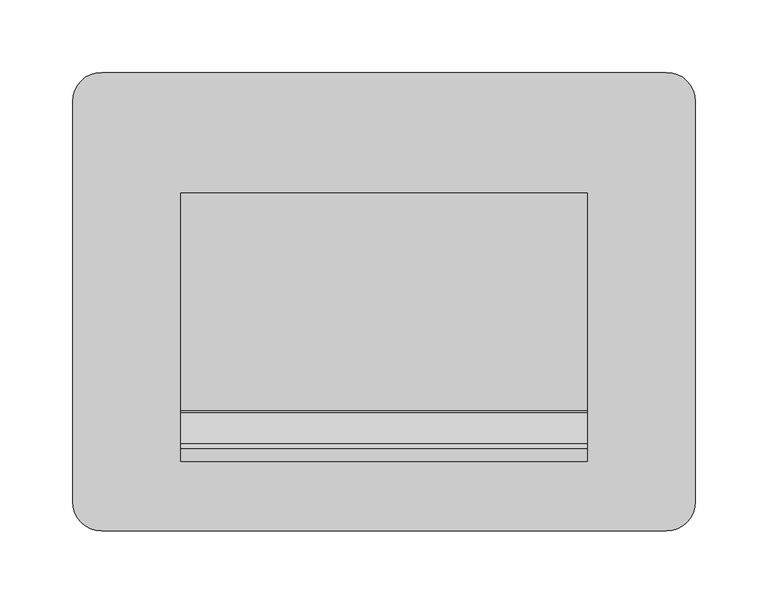
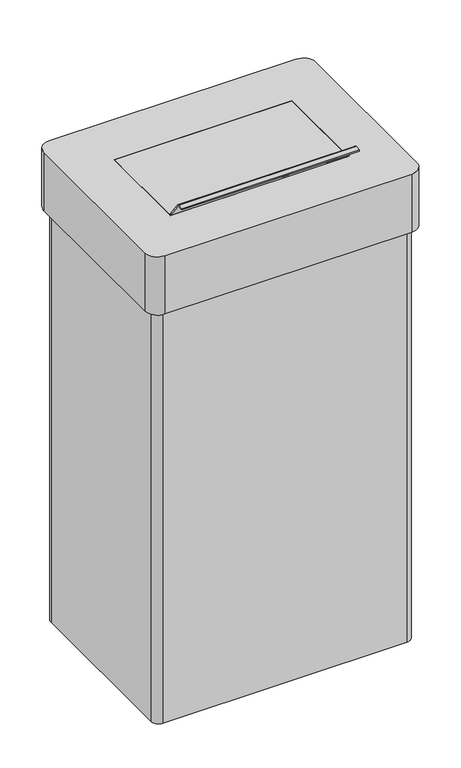
"""IFC4 building model written with IfcOpenShell, lengths in millimetres: furniture geometry."""

import ifcopenshell
import ifcopenshell.guid

model = None  # the IFC model being written
_history = None  # IfcOwnerHistory: only IFC2X3 demands one
_inside = {}  # id of a spatial element -> (the spatial element, [elements in it])
_under = {}  # id of a project, library or spatial element -> (it, [spatial elements below it])
_declared = {}  # id of a project -> (the project, [libraries it declares])
_typed = {}  # id of a type object -> (the type object, [elements of that type])
_made_of = {}  # id of a material, layer set ... -> (it, [elements and type objects made of it])


def new_model(schema):
    """Start an empty IFC model of exactly this schema.

    Asked for "IFC4X3", IfcOpenShell would pick the latest addendum, in which some entities
    have other attributes; the version numbers below select the first issue.
    IFC2X3 requires an IfcOwnerHistory on every rooted entity: one is made here for all.
    """
    global model, _history
    if schema == "IFC4X3":
        model = ifcopenshell.file(schema_version=(4, 3, 0, 0))
    else:
        model = ifcopenshell.file(schema=schema)
    _inside.clear()
    _under.clear()
    _declared.clear()
    _typed.clear()
    _made_of.clear()
    _history = None
    if model.schema == "IFC2X3":
        org = make("IfcOrganization", Name="unknown")
        user = make(
            "IfcPersonAndOrganization",
            ThePerson=make("IfcPerson", FamilyName="unknown"),
            TheOrganization=org,
        )
        app = make(
            "IfcApplication",
            ApplicationDeveloper=org,
            Version="unknown",
            ApplicationFullName="unknown",
            ApplicationIdentifier="unknown",
        )
        _history = make(
            "IfcOwnerHistory",
            OwningUser=user,
            OwningApplication=app,
            ChangeAction="ADDED",
            CreationDate=0,
        )
    return model


def make(cls, **values):
    """One entity of the class cls with the attributes given. An attribute that is None is left unset."""
    return model.create_entity(
        cls, **{name: value for name, value in values.items() if value is not None}
    )


def rooted(cls, **values):
    """An entity with a GlobalId (a new one), such as an element, a storey or a relation."""
    return make(cls, GlobalId=ifcopenshell.guid.new(), OwnerHistory=_history, **values)


def si_unit(unit_type, name, prefix=None):
    """IfcSIUnit, for example si_unit("LENGTHUNIT", "METRE", prefix="MILLI")."""
    return make("IfcSIUnit", UnitType=unit_type, Prefix=prefix, Name=name)


def assignment(units):
    """IfcUnitAssignment: the units of a project."""
    return None if units is None else make("IfcUnitAssignment", Units=units)


def point(xyz):
    """IfcCartesianPoint."""
    return None if xyz is None else make("IfcCartesianPoint", Coordinates=xyz)


def direction(xyz):
    """IfcDirection."""
    return None if xyz is None else make("IfcDirection", DirectionRatios=xyz)


def frame(location, z_axis=None, x_axis=None):
    """IfcAxis2Placement3D, a coordinate frame: its origin and axes. An axis left out is left unset."""
    return make(
        "IfcAxis2Placement3D",
        Location=point(location),
        Axis=direction(z_axis),
        RefDirection=direction(x_axis),
    )


def origin():
    """The frame at (0, 0, 0) with its axes left unset."""
    return frame((0.0, 0.0, 0.0))


def place(relative_to, where):
    """IfcLocalPlacement: puts the frame where relative to a parent placement (None: the world)."""
    return make(
        "IfcLocalPlacement", PlacementRelTo=relative_to, RelativePlacement=where
    )


def context(
    kind, dimensions, precision=None, world=None, true_north=None, identifier=None
):
    """IfcGeometricRepresentationContext, for example the 3D "Model" context."""
    return make(
        "IfcGeometricRepresentationContext",
        ContextIdentifier=identifier,
        ContextType=kind,
        CoordinateSpaceDimension=dimensions,
        Precision=precision,
        WorldCoordinateSystem=world,
        TrueNorth=true_north,
    )


def project(units=None, contexts=None):
    """IfcProject with its units and contexts."""
    return rooted(
        "IfcProject",
        Name="project",
        RepresentationContexts=contexts,
        UnitsInContext=assignment(units),
    )


def spatial(cls, under=None, at=None, **own):
    """A site, building, storey or space (cls), placed at a placement, below another one or the project."""
    s = rooted(cls, ObjectPlacement=at, **own)
    if under is not None:
        _under.setdefault(under.id(), (under, []))[1].append(s)
    return s


def polyline(points):
    """IfcPolyline through the points."""
    return make("IfcPolyline", Points=[point(p) for p in points])


def circle_curve(where, radius):
    """IfcCircle in the frame where."""
    return make("IfcCircle", Position=where, Radius=radius)


def shape(context_of_items, identifier, shape_type, items):
    """IfcShapeRepresentation: the items that make up one representation, for example the "Body"."""
    return make(
        "IfcShapeRepresentation",
        ContextOfItems=context_of_items,
        RepresentationIdentifier=identifier,
        RepresentationType=shape_type,
        Items=items,
    )


def source(mapping_origin, context_of_items, identifier, shape_type, items):
    """IfcRepresentationMap: a shape defined once, which mapped items show again and again."""
    return make(
        "IfcRepresentationMap",
        MappingOrigin=mapping_origin,
        MappedRepresentation=shape(context_of_items, identifier, shape_type, items),
    )


def transform(
    local_origin,
    x_axis=None,
    y_axis=None,
    z_axis=None,
    scale=None,
    scale2=None,
    scale3=None,
    uniform=True,
):
    """IfcCartesianTransformationOperator3D, or its non-uniform kind. x_axis, y_axis, z_axis: its Axis1, 2, 3."""
    if uniform:
        return make(
            "IfcCartesianTransformationOperator3D",
            Axis1=direction(x_axis),
            Axis2=direction(y_axis),
            LocalOrigin=point(local_origin),
            Scale=scale,
            Axis3=direction(z_axis),
        )
    return make(
        "IfcCartesianTransformationOperator3DnonUniform",
        Axis1=direction(x_axis),
        Axis2=direction(y_axis),
        LocalOrigin=point(local_origin),
        Scale=scale,
        Axis3=direction(z_axis),
        Scale2=scale2,
        Scale3=scale3,
    )


def mapped(mapping_source, mapping_target):
    """IfcMappedItem: shows the shape of a source again, moved by a transform."""
    return make(
        "IfcMappedItem", MappingSource=mapping_source, MappingTarget=mapping_target
    )


def made_of(thing, what):
    """Note that an element or type object is made of a material, layer set ...; save() writes the relation."""
    if what is not None:
        _made_of.setdefault(what.id(), (what, []))[1].append(thing)
    return thing


def element(
    cls,
    number,
    at=None,
    inside=None,
    cuts=None,
    type_object=None,
    material=None,
    context=None,
    identifier="Body",
    shape_type=None,
    held_by="IfcProductDefinitionShape",
    body=None,
    shapes=None,
    **own,
):
    """One element of the class cls, such as IfcWall. Its Tag is "e" and its number.

    at: its placement. inside: the storey or other place that contains it. cuts: it is an
    opening in that element (IfcRelVoidsElement). A single representation is given by context,
    identifier, shape_type and body (its items); several are given by shapes. held_by: the class
    of the entity that holds the representations. save() writes the other relations.
    """
    e = rooted(cls, Tag="e%d" % number, ObjectPlacement=at, **own)
    if body is not None:
        shapes = [shape(context, identifier, shape_type, body)]
    if shapes is not None:
        e.Representation = make(held_by, Representations=shapes)
    if inside is not None:
        _inside.setdefault(inside.id(), (inside, []))[1].append(e)
    if cuts is not None:
        rooted(
            "IfcRelVoidsElement", RelatingBuildingElement=cuts, RelatedOpeningElement=e
        )
    if type_object is not None:
        _typed.setdefault(type_object.id(), (type_object, []))[1].append(e)
    return made_of(e, material)


def aggregate(whole, parts):
    """IfcRelAggregates: a whole, such as a stair, and the parts it consists of."""
    return rooted("IfcRelAggregates", RelatingObject=whole, RelatedObjects=parts)


def save(model, path):
    """Write the relations noted so far, then the file.

    IfcRelAggregates (storeys below a building ...), IfcRelContainedInSpatialStructure (elements
    in a storey), IfcRelDefinesByType, IfcRelAssociatesMaterial and IfcRelDeclares: one each for
    every whole, place, type object, material and project.
    """
    for whole, parts in _under.values():
        aggregate(whole, parts)
    for where, things in _inside.values():
        rooted(
            "IfcRelContainedInSpatialStructure",
            RelatedElements=things,
            RelatingStructure=where,
        )
    for kind, things in _typed.values():
        rooted("IfcRelDefinesByType", RelatedObjects=things, RelatingType=kind)
    for what, things in _made_of.values():
        rooted("IfcRelAssociatesMaterial", RelatedObjects=things, RelatingMaterial=what)
    for by, libraries in _declared.values():
        rooted("IfcRelDeclares", RelatingContext=by, RelatedDefinitions=libraries)
    model.write(path)


def plane_surface(at):
    """IfcPlane: the flat surface through the origin of the frame at, square to its z axis."""
    return make("IfcPlane", Position=at)


def cylinder_surface(at, radius):
    """IfcCylindricalSurface: all points at the distance radius from the z axis of the frame at."""
    return make("IfcCylindricalSurface", Position=at, Radius=radius)


def revolved_surface(curve, axis_point, axis_direction):
    """IfcSurfaceOfRevolution: the curve turned about the line through axis_point along axis_direction."""
    return make(
        "IfcSurfaceOfRevolution",
        SweptCurve=make("IfcArbitraryOpenProfileDef", ProfileType="CURVE", Curve=curve),
        AxisPosition=make("IfcAxis1Placement", Location=point(axis_point), Axis=direction(axis_direction)),
    )


def advanced_brep(points, edges, surfaces, faces):
    """IfcAdvancedBrep: a solid bounded by faces that lie on surfaces and meet in shared edges.

    An edge is (start, end): straight between two places in points (the first is 0);
    or (start, end, curve); or (start, end, curve, False) where it runs against its curve.
    A face is (place in surfaces, loops), or (place, loops, False) where it looks against
    its surface's normal. A loop lists edges by number (the first is 1), with a minus sign
    where the edge is run from its end to its start. The first loop is the outer one.
    """
    corners = [point(p) for p in points]
    vertices = [make("IfcVertexPoint", VertexGeometry=c) for c in corners]
    made = []
    for start, end, *more in edges:
        made.append(
            make(
                "IfcEdgeCurve",
                EdgeStart=vertices[start],
                EdgeEnd=vertices[end],
                EdgeGeometry=more[0] if more else make("IfcPolyline", Points=[corners[start], corners[end]]),
                SameSense=more[1] if len(more) > 1 else True,
            )
        )
    hull = []
    for where, loops, *sense in faces:
        bounds = []
        for j, loop in enumerate(loops):
            ring = [make("IfcOrientedEdge", EdgeElement=made[abs(k) - 1], Orientation=k > 0) for k in loop]
            bounds.append(
                make(
                    "IfcFaceOuterBound" if j == 0 else "IfcFaceBound",
                    Bound=make("IfcEdgeLoop", EdgeList=ring),
                    Orientation=True,
                )
            )
        hull.append(make("IfcAdvancedFace", Bounds=bounds, FaceSurface=surfaces[where], SameSense=sense[0] if sense else True))
    return make("IfcAdvancedBrep", Outer=make("IfcClosedShell", CfsFaces=hull))


def furniture_952a48fb(model_context):
    return source(origin(), model_context, "Body", "AdvancedBrep", [
        advanced_brep(
        [(192.5, 148.0, 689.0), (-192.5, 148.0, 689.0), (-204.5, 136.0, 689.0), (-204.5, -136.0, 689.0), (-192.5, -148.0, 689.0), (192.5, -148.0, 689.0), (204.5, -136.0, 689.0), (204.5, 136.0, 689.0), (194.5, 138.0, 689.0), (194.5, -138.0, 689.0), (-194.5, -138.0, 689.0), (-194.5, 138.0, 689.0), (192.5, 148.0, 0.0), (204.5, 136.0, 0.0), (204.5, -136.0, 0.0), (192.5, -148.0, 0.0), (-192.5, -148.0, 0.0), (-204.5, -136.0, 0.0), (-204.5, 136.0, 0.0), (-192.5, 148.0, 0.0), (194.5, 138.0, 8.0), (194.5, -138.0, 8.0), (-194.5, -138.0, 8.0), (-194.5, 138.0, 8.0)],
        [
            (0, 1),
            (1, 2, circle_curve(frame((-192.5, 136.0, 689.0), z_axis=(0.0, 0.0, 1.0), x_axis=(1.0, 0.0, 0.0)), 12.0)),
            (2, 3),
            (3, 4, circle_curve(frame((-192.5, -136.0, 689.0), z_axis=(0.0, 0.0, 1.0), x_axis=(1.0, 0.0, 0.0)), 12.0)),
            (4, 5),
            (5, 6, circle_curve(frame((192.5, -136.0, 689.0), z_axis=(0.0, 0.0, 1.0), x_axis=(1.0, 0.0, 0.0)), 12.0)),
            (6, 7),
            (7, 0, circle_curve(frame((192.5, 136.0, 689.0), z_axis=(0.0, 0.0, 1.0), x_axis=(1.0, 0.0, 0.0)), 12.0)),
            (8, 9),
            (9, 10),
            (10, 11),
            (11, 8),
            (12, 13, circle_curve(frame((192.5, 136.0, 0.0), z_axis=(0.0, 0.0, -1.0), x_axis=(1.0, 0.0, 0.0)), 12.0)),
            (13, 14),
            (14, 15, circle_curve(frame((192.5, -136.0, 0.0), z_axis=(0.0, 0.0, -1.0), x_axis=(1.0, 0.0, 0.0)), 12.0)),
            (15, 16),
            (16, 17, circle_curve(frame((-192.5, -136.0, 0.0), z_axis=(0.0, 0.0, -1.0), x_axis=(1.0, 0.0, 0.0)), 12.0)),
            (17, 18),
            (18, 19, circle_curve(frame((-192.5, 136.0, 0.0), z_axis=(0.0, 0.0, -1.0), x_axis=(1.0, 0.0, 0.0)), 12.0)),
            (19, 12),
            (8, 20),
            (20, 21),
            (21, 9),
            (21, 22),
            (22, 10),
            (22, 23),
            (23, 11),
            (23, 20),
            (0, 12),
            (19, 1),
            (18, 2),
            (17, 3),
            (16, 4),
            (15, 5),
            (14, 6),
            (13, 7),
        ],
        [
            plane_surface(frame((194.5, 138.0, 689.0), z_axis=(0.0, 0.0, 1.0), x_axis=(0.0, -1.0, 0.0))),
            plane_surface(frame((194.5, 138.0, 0.0), z_axis=(0.0, 0.0, -1.0), x_axis=(0.0, 1.0, 0.0))),
            plane_surface(frame((194.5, 138.0, 689.0), z_axis=(-1.0, 0.0, 0.0), x_axis=(0.0, 0.0, -1.0))),
            plane_surface(frame((194.5, -138.0, 689.0), z_axis=(0.0, 1.0, 0.0), x_axis=(0.0, 0.0, -1.0))),
            plane_surface(frame((-194.5, -138.0, 689.0), z_axis=(1.0, 0.0, 0.0), x_axis=(0.0, 0.0, -1.0))),
            plane_surface(frame((-194.5, 138.0, 689.0), z_axis=(0.0, -1.0, 0.0), x_axis=(0.0, 0.0, -1.0))),
            plane_surface(frame((192.5, 148.0, 689.0), z_axis=(0.0, 1.0, 0.0), x_axis=(0.0, 0.0, -1.0))),
            cylinder_surface(frame((-192.5, 136.0, 0.0), z_axis=(0.0, 0.0, 1.0), x_axis=(1.0, 0.0, 0.0)), 12.0),
            plane_surface(frame((-204.5, 136.0, 689.0), z_axis=(-1.0, 0.0, 0.0), x_axis=(0.0, 0.0, -1.0))),
            cylinder_surface(frame((-192.5, -136.0, 0.0), z_axis=(0.0, 0.0, 1.0), x_axis=(1.0, 0.0, 0.0)), 12.0),
            plane_surface(frame((-192.5, -148.0, 689.0), z_axis=(0.0, -1.0, 0.0), x_axis=(0.0, 0.0, -1.0))),
            cylinder_surface(frame((192.5, -136.0, 0.0), z_axis=(0.0, 0.0, 1.0), x_axis=(1.0, 0.0, 0.0)), 12.0),
            plane_surface(frame((204.5, -136.0, 689.0), z_axis=(1.0, 0.0, 0.0), x_axis=(0.0, 0.0, -1.0))),
            cylinder_surface(frame((192.5, 136.0, 0.0), z_axis=(0.0, 0.0, 1.0), x_axis=(1.0, 0.0, 0.0)), 12.0),
            plane_surface(frame((-194.5, 138.0, 8.0), z_axis=(0.0, 0.0, 1.0), x_axis=(-1.0, 0.0, 0.0))),
        ],
        [
            (0, [[1, 2, 3, 4, 5, 6, 7, 8], [9, 10, 11, 12]]),
            (1, [[13, 14, 15, 16, 17, 18, 19, 20]]),
            (2, [[-9, 21, 22, 23]]),
            (3, [[-10, -23, 24, 25]]),
            (4, [[-11, -25, 26, 27]]),
            (5, [[-12, -27, 28, -21]]),
            (6, [[-1, 29, -20, 30]]),
            (7, [[-2, -30, -19, 31]]),
            (8, [[-3, -31, -18, 32]]),
            (9, [[-4, -32, -17, 33]]),
            (10, [[-5, -33, -16, 34]]),
            (11, [[-6, -34, -15, 35]]),
            (12, [[-7, -35, -14, 36]]),
            (13, [[-8, -36, -13, -29]]),
            (14, [[-22, -28, -26, -24]]),
        ],
    ),
        advanced_brep(
        [(194.5, 158.0, 786.0), (-194.5, 158.0, 786.0), (-214.5, 138.0, 786.0), (-214.5, -138.0, 786.0), (-194.5, -158.0, 786.0), (194.5, -158.0, 786.0), (214.5, -138.0, 786.0), (214.5, 138.0, 786.0), (140.0, 75.0, 786.0), (140.0, -78.0583922, 786.0), (-140.0, -78.0583922, 786.0), (-140.0, 75.0, 786.0), (194.5, 138.0, 778.0), (194.5, -138.0, 778.0), (-194.5, -138.0, 778.0), (-194.5, 138.0, 778.0), (140.0, 75.0, 778.0), (-140.0, 75.0, 778.0), (-140.0, -78.0583922, 778.0), (140.0, -78.0583922, 778.0), (194.5, 158.0, 689.0), (214.5, 138.0, 689.0), (214.5, -138.0, 689.0), (194.5, -158.0, 689.0), (-194.5, -158.0, 689.0), (-214.5, -138.0, 689.0), (-214.5, 138.0, 689.0), (-194.5, 158.0, 689.0), (194.5, 138.0, 689.0), (-194.5, 138.0, 689.0), (-194.5, -138.0, 689.0), (194.5, -138.0, 689.0)],
        [
            (0, 1),
            (1, 2, circle_curve(frame((-194.5, 138.0, 786.0), z_axis=(0.0, 0.0, 1.0), x_axis=(1.0, 0.0, 0.0)), 20.0)),
            (2, 3),
            (3, 4, circle_curve(frame((-194.5, -138.0, 786.0), z_axis=(0.0, 0.0, 1.0), x_axis=(1.0, 0.0, 0.0)), 20.0)),
            (4, 5),
            (5, 6, circle_curve(frame((194.5, -138.0, 786.0), z_axis=(0.0, 0.0, 1.0), x_axis=(1.0, 0.0, 0.0)), 20.0)),
            (6, 7),
            (7, 0, circle_curve(frame((194.5, 138.0, 786.0), z_axis=(0.0, 0.0, 1.0), x_axis=(1.0, 0.0, 0.0)), 20.0)),
            (8, 9),
            (9, 10),
            (10, 11),
            (11, 8),
            (12, 13),
            (13, 14),
            (14, 15),
            (15, 12),
            (16, 17),
            (17, 18),
            (18, 19),
            (19, 16),
            (20, 21, circle_curve(frame((194.5, 138.0, 689.0), z_axis=(0.0, 0.0, -1.0), x_axis=(1.0, 0.0, 0.0)), 20.0)),
            (21, 22),
            (22, 23, circle_curve(frame((194.5, -138.0, 689.0), z_axis=(0.0, 0.0, -1.0), x_axis=(1.0, 0.0, 0.0)), 20.0)),
            (23, 24),
            (24, 25, circle_curve(frame((-194.5, -138.0, 689.0), z_axis=(0.0, 0.0, -1.0), x_axis=(1.0, 0.0, 0.0)), 20.0)),
            (25, 26),
            (26, 27, circle_curve(frame((-194.5, 138.0, 689.0), z_axis=(0.0, 0.0, -1.0), x_axis=(1.0, 0.0, 0.0)), 20.0)),
            (27, 20),
            (28, 29),
            (29, 30),
            (30, 31),
            (31, 28),
            (0, 20),
            (27, 1),
            (26, 2),
            (25, 3),
            (24, 4),
            (23, 5),
            (22, 6),
            (21, 7),
            (31, 13),
            (12, 28),
            (30, 14),
            (29, 15),
            (8, 16),
            (19, 9),
            (18, 10),
            (17, 11),
        ],
        [
            plane_surface(frame((-194.5, 138.0, 786.0), z_axis=(0.0, 0.0, 1.0), x_axis=(-1.0, 0.0, 0.0))),
            plane_surface(frame((-194.5, 138.0, 778.0), z_axis=(0.0, 0.0, -1.0), x_axis=(1.0, 0.0, 0.0))),
            plane_surface(frame((-194.5, 158.0, 689.0), z_axis=(0.0, 0.0, -1.0), x_axis=(1.0, 0.0, 0.0))),
            plane_surface(frame((194.5, 158.0, 786.0), z_axis=(0.0, 1.0, 0.0), x_axis=(0.0, 0.0, -1.0))),
            cylinder_surface(frame((-194.5, 138.0, 689.0), z_axis=(0.0, 0.0, 1.0), x_axis=(1.0, 0.0, 0.0)), 20.0),
            plane_surface(frame((-214.5, 138.0, 786.0), z_axis=(-1.0, 0.0, 0.0), x_axis=(0.0, 0.0, -1.0))),
            cylinder_surface(frame((-194.5, -138.0, 689.0), z_axis=(0.0, 0.0, 1.0), x_axis=(1.0, 0.0, 0.0)), 20.0),
            plane_surface(frame((-194.5, -158.0, 786.0), z_axis=(0.0, -1.0, 0.0), x_axis=(0.0, 0.0, -1.0))),
            cylinder_surface(frame((194.5, -138.0, 689.0), z_axis=(0.0, 0.0, 1.0), x_axis=(1.0, 0.0, 0.0)), 20.0),
            plane_surface(frame((214.5, -138.0, 786.0), z_axis=(1.0, 0.0, 0.0), x_axis=(0.0, 0.0, -1.0))),
            cylinder_surface(frame((194.5, 138.0, 689.0), z_axis=(0.0, 0.0, 1.0), x_axis=(1.0, 0.0, 0.0)), 20.0),
            plane_surface(frame((194.5, 138.0, 786.0), z_axis=(-1.0, 0.0, 0.0), x_axis=(0.0, 0.0, -1.0))),
            plane_surface(frame((194.5, -138.0, 786.0), z_axis=(0.0, 1.0, 0.0), x_axis=(0.0, 0.0, -1.0))),
            plane_surface(frame((-194.5, -138.0, 786.0), z_axis=(1.0, 0.0, 0.0), x_axis=(0.0, 0.0, -1.0))),
            plane_surface(frame((-194.5, 138.0, 786.0), z_axis=(0.0, -1.0, 0.0), x_axis=(0.0, 0.0, -1.0))),
            plane_surface(frame((140.0, 75.0, 786.0), z_axis=(-1.0, 0.0, 0.0), x_axis=(0.0, 0.0, -1.0))),
            plane_surface(frame((140.0, -78.0583922, 786.0), z_axis=(0.0, 1.0, 0.0), x_axis=(0.0, 0.0, -1.0))),
            plane_surface(frame((-140.0, -78.0583922, 786.0), z_axis=(1.0, 0.0, 0.0), x_axis=(0.0, 0.0, -1.0))),
            plane_surface(frame((-140.0, 75.0, 786.0), z_axis=(0.0, -1.0, 0.0), x_axis=(0.0, 0.0, -1.0))),
        ],
        [
            (0, [[1, 2, 3, 4, 5, 6, 7, 8], [9, 10, 11, 12]]),
            (1, [[13, 14, 15, 16], [17, 18, 19, 20]]),
            (2, [[21, 22, 23, 24, 25, 26, 27, 28], [29, 30, 31, 32]]),
            (3, [[-1, 33, -28, 34]]),
            (4, [[-2, -34, -27, 35]]),
            (5, [[-3, -35, -26, 36]]),
            (6, [[-4, -36, -25, 37]]),
            (7, [[-5, -37, -24, 38]]),
            (8, [[-6, -38, -23, 39]]),
            (9, [[-7, -39, -22, 40]]),
            (10, [[-8, -40, -21, -33]]),
            (11, [[-32, 41, -13, 42]]),
            (12, [[-31, 43, -14, -41]]),
            (13, [[-30, 44, -15, -43]]),
            (14, [[-29, -42, -16, -44]]),
            (15, [[-9, 45, -20, 46]]),
            (16, [[-10, -46, -19, 47]]),
            (17, [[-11, -47, -18, 48]]),
            (18, [[-12, -48, -17, -45]]),
        ],
    ),
        advanced_brep(
        [(140.0, -74.955648, 786.0), (140.0, -76.7205097, 786.8865073), (140.0, -97.5687013, 814.8989761), (140.0, -101.0333202, 816.639288), (140.0, -110.0, 816.639288), (140.0, -110.0, 814.476851), (140.0, -100.8638406, 814.4732053), (140.0, -99.3010108, 813.6097103), (140.0, -78.0583922, 785.1055379), (140.0, -75.0, 783.8405759), (140.0, 75.0, 783.8405759), (140.0, 75.0, 786.0), (-140.0, -74.955648, 786.0), (-140.0, 75.0, 786.0), (-140.0, 75.0, 783.8405759), (-140.0, -75.0, 783.8405759), (-140.0, -78.0583922, 785.1055379), (-140.0, -99.2826839, 813.62335), (-140.0, -100.8638406, 814.4732053), (-140.0, -110.0, 814.476851), (-140.0, -110.0, 816.639288), (-140.0, -101.0333202, 816.639288), (-140.0, -97.5687013, 814.8989761), (-140.0, -76.7205097, 786.8865073)],
        [
            (0, 1, circle_curve(frame((140.0, -74.955648, 788.2), z_axis=(-1.0, 0.0, 0.0), x_axis=(0.0, 1.0, 0.0)), 2.2)),
            (1, 2),
            (2, 3, circle_curve(frame((140.0, -101.0333202, 812.3204444), z_axis=(1.0, 0.0, 0.0), x_axis=(0.0, 1.0, 0.0)), 4.3188436)),
            (3, 4),
            (4, 5),
            (5, 6),
            (6, 7, circle_curve(frame((140.0, -101.0333202, 812.3204444), z_axis=(-1.0, 0.0, 0.0), x_axis=(0.0, 1.0, 0.0)), 2.1594218)),
            (7, 8),
            (8, 9, circle_curve(frame((140.0, -75.0, 788.1703073), z_axis=(1.0, 0.0, 0.0), x_axis=(0.0, 1.0, 0.0)), 4.3297315)),
            (9, 10),
            (10, 11),
            (11, 0),
            (12, 13),
            (13, 14),
            (14, 15),
            (15, 16, circle_curve(frame((-140.0, -75.0, 788.1703073), z_axis=(-1.0, 0.0, 0.0), x_axis=(0.0, 1.0, 0.0)), 4.3297315)),
            (16, 17),
            (17, 18, circle_curve(frame((-140.0, -101.0333202, 812.3204444), z_axis=(1.0, 0.0, 0.0), x_axis=(0.0, 1.0, 0.0)), 2.1594218)),
            (18, 19),
            (19, 20),
            (20, 21),
            (21, 22, circle_curve(frame((-140.0, -101.0333202, 812.3204444), z_axis=(-1.0, 0.0, 0.0), x_axis=(0.0, 1.0, 0.0)), 4.3188436)),
            (22, 23),
            (23, 12, circle_curve(frame((-140.0, -74.955648, 788.2), z_axis=(1.0, 0.0, 0.0), x_axis=(0.0, 1.0, 0.0)), 2.2)),
            (1, 23),
            (22, 2),
            (21, 3),
            (20, 4),
            (19, 5),
            (18, 6),
            (17, 7),
            (16, 8),
            (15, 9),
            (14, 10),
            (13, 11),
            (12, 0),
        ],
        [
            plane_surface(frame((140.0, -72.755648, 788.2), z_axis=(1.0, 0.0, 0.0), x_axis=(0.0, 0.0, -1.0))),
            plane_surface(frame((-140.0, -72.755648, 788.2), z_axis=(-1.0, 0.0, 0.0), x_axis=(0.0, 0.0, 1.0))),
            plane_surface(frame((140.0, -76.7205097, 786.8865073), z_axis=(0.0, 0.8022098610002112, 0.5970421584059388), x_axis=(-1.0, 0.0, 0.0))),
            cylinder_surface(frame((-140.0, -101.0333202, 812.3204444), z_axis=(1.0, 0.0, 0.0), x_axis=(0.0, 1.0, 0.0)), 4.3188436),
            plane_surface(frame((140.0, -101.0333202, 816.639288), z_axis=(0.0, 0.0, 1.0), x_axis=(-1.0, 0.0, 0.0))),
            plane_surface(frame((140.0, -110.0, 816.639288), z_axis=(0.0, -1.0, 0.0), x_axis=(-1.0, 0.0, 0.0))),
            plane_surface(frame((140.0, -110.0, 814.476851), z_axis=(0.0, -0.0003990411336999471, -0.9999999203830837), x_axis=(-1.0, 0.0, 0.0))),
            revolved_surface(polyline([(-140.0, -98.8738984, 812.3204444), (140.0, -98.8738984, 812.3204444)]), (-140.0, -101.0333202, 812.3204444), (-1.0, 0.0, 0.0)),
            plane_surface(frame((140.0, -99.2826839, 813.62335), z_axis=(0.0, -0.8022098610001317, -0.5970421584060455), x_axis=(-1.0, 0.0, 0.0))),
            cylinder_surface(frame((-140.0, -75.0, 788.1703073), z_axis=(1.0, 0.0, 0.0), x_axis=(0.0, 1.0, 0.0)), 4.3297315),
            plane_surface(frame((140.0, -75.0, 783.8405759), z_axis=(0.0, 0.0, -1.0), x_axis=(-1.0, 0.0, 0.0))),
            plane_surface(frame((140.0, 75.0, 783.8405759), z_axis=(0.0, 1.0, 0.0), x_axis=(-1.0, 0.0, 0.0))),
            plane_surface(frame((140.0, 75.0, 786.0), z_axis=(0.0, 0.0, 1.0), x_axis=(-1.0, 0.0, 0.0))),
            revolved_surface(polyline([(-140.0, -72.755648, 788.2), (140.0, -72.755648, 788.2)]), (-140.0, -74.955648, 788.2), (-1.0, 0.0, 0.0)),
        ],
        [
            (0, [[1, 2, 3, 4, 5, 6, 7, 8, 9, 10, 11, 12]]),
            (1, [[13, 14, 15, 16, 17, 18, 19, 20, 21, 22, 23, 24]]),
            (2, [[-2, 25, -23, 26]]),
            (3, [[-3, -26, -22, 27]]),
            (4, [[-4, -27, -21, 28]]),
            (5, [[-5, -28, -20, 29]]),
            (6, [[-6, -29, -19, 30]]),
            (7, [[-7, -30, -18, 31]]),
            (8, [[-8, -31, -17, 32]]),
            (9, [[-9, -32, -16, 33]]),
            (10, [[-10, -33, -15, 34]]),
            (11, [[-11, -34, -14, 35]]),
            (12, [[-12, -35, -13, 36]]),
            (13, [[-1, -36, -24, -25]]),
        ],
    ),
    ])


if __name__ == "__main__":
    model = new_model("IFC4")
    model_context = context("Model", 3, world=origin())
    ifc_project = project(units=[si_unit("LENGTHUNIT", "METRE", prefix="MILLI")], contexts=[model_context])
    site = spatial("IfcSite", under=ifc_project)
    building = spatial("IfcBuilding", under=site)
    placement = place(None, origin())
    furniture_shape = furniture_952a48fb(model_context)
    element("IfcFurniture", 1, at=placement, inside=building, context=model_context, shape_type="MappedRepresentation", body=[
        mapped(furniture_shape, transform((0.0, 0.0, 0.0), x_axis=(1.0, 0.0, 0.0), y_axis=(0.0, 1.0, 0.0), z_axis=(0.0, 0.0, 1.0))),
    ])
    save(model, "model.ifc")
